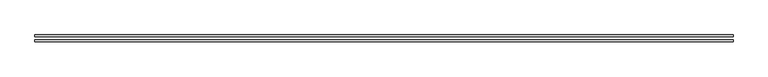
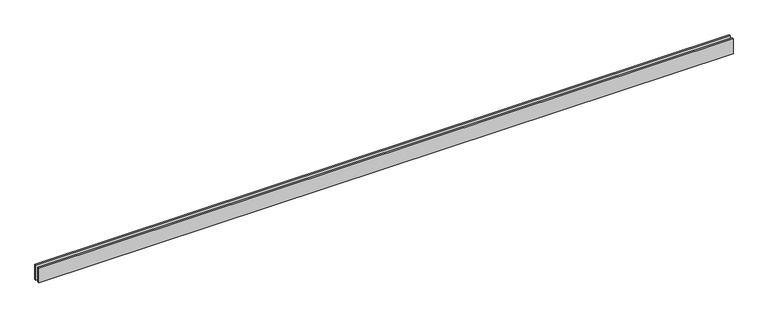
"""IFC4 building model written with IfcOpenShell, lengths in millimetres: proxy geometry."""

from ifc_helpers import new_model, si_unit, origin, origin_with_axes, place, context, project, spatial, polyline, outline, extrude, source, transform, mapped, element, save


def generic_models_a91ca1a9(model_context):
    return source(origin(), model_context, "Body", "SweptSolid", [
        extrude(outline(polyline([(11135.0, 25.0), (0.0, 25.0), (0.0, 55.0), (11135.0, 55.0), (11135.0, 25.0)])), origin_with_axes(), (0.0, 0.0, 1.0), 250.0),
        extrude(outline(polyline([(11135.0, -55.0), (0.0, -55.0), (0.0, -25.0), (11135.0, -25.0), (11135.0, -55.0)])), origin_with_axes(), (0.0, 0.0, 1.0), 250.0),
    ])


if __name__ == "__main__":
    model = new_model("IFC4")
    model_context = context("Model", 3, world=origin())
    ifc_project = project(units=[si_unit("LENGTHUNIT", "METRE", prefix="MILLI")], contexts=[model_context])
    site = spatial("IfcSite", under=ifc_project)
    building = spatial("IfcBuilding", under=site)
    placement = place(None, origin())
    generic_models_shape = generic_models_a91ca1a9(model_context)
    element("IfcBuildingElementProxy", 1, Name="Generic Models", at=placement, inside=building, context=model_context, shape_type="MappedRepresentation", body=[
        mapped(generic_models_shape, transform((0.0, 0.0, 0.0), x_axis=(1.0, 0.0, 0.0), y_axis=(0.0, 1.0, 0.0), z_axis=(0.0, 0.0, 1.0))),
    ])
    save(model, "model.ifc")
